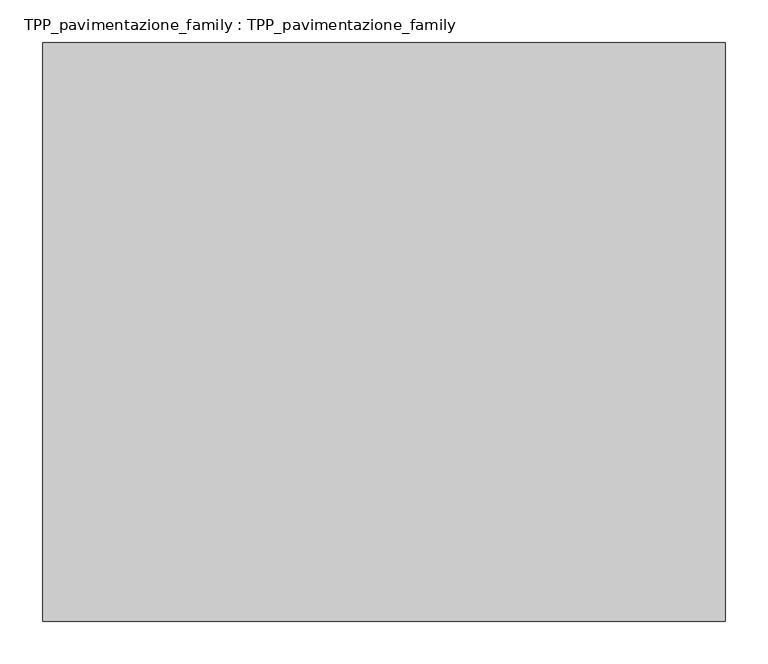
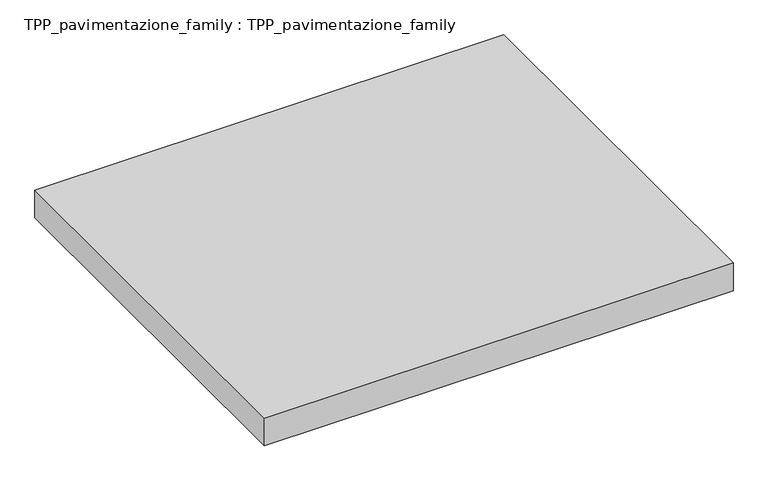
"""IFC4 building model written with IfcOpenShell, lengths in millimetres: proxy geometry, TPP_pavimentazione_family : TPP_pavimentazione_family."""

from ifc_helpers import new_model, si_unit, origin, origin_with_axes, place, context, project, spatial, polyline, outline, extrude, source, transform, mapped, element, save


def tpp_pavimentazione_family_tpp_pavimentazione_family_804310c7(model_context):
    return source(origin(), model_context, "Body", "SweptSolid", [
        extrude(outline(polyline([(511.8146187, 354.2201026), (511.8146187, -324.3350276), (-288.1853813, -324.3350276), (-288.1853813, 354.2201026), (511.8146187, 354.2201026)])), origin_with_axes(), (0.0, 0.0, 1.0), 50.0),
    ])


if __name__ == "__main__":
    model = new_model("IFC4")
    model_context = context("Model", 3, world=origin())
    ifc_project = project(units=[si_unit("LENGTHUNIT", "METRE", prefix="MILLI")], contexts=[model_context])
    site = spatial("IfcSite", under=ifc_project)
    building = spatial("IfcBuilding", under=site)
    placement = place(None, origin())
    tpp_pavimentazione_family_tpp_pavimentazione_family_shape = tpp_pavimentazione_family_tpp_pavimentazione_family_804310c7(model_context)
    element("IfcBuildingElementProxy", 1, Name="TPP_pavimentazione_family : TPP_pavimentazione_family", ObjectType="TPP_pavimentazione_family : TPP_pavimentazione_family", at=placement, inside=building, context=model_context, shape_type="MappedRepresentation", body=[
        mapped(tpp_pavimentazione_family_tpp_pavimentazione_family_shape, transform((0.0, 0.0, 0.0), x_axis=(1.0, 0.0, 0.0), y_axis=(0.0, 1.0, 0.0), z_axis=(0.0, 0.0, 1.0))),
    ])
    save(model, "model.ifc")
